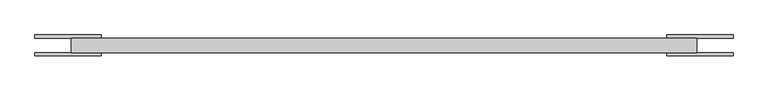
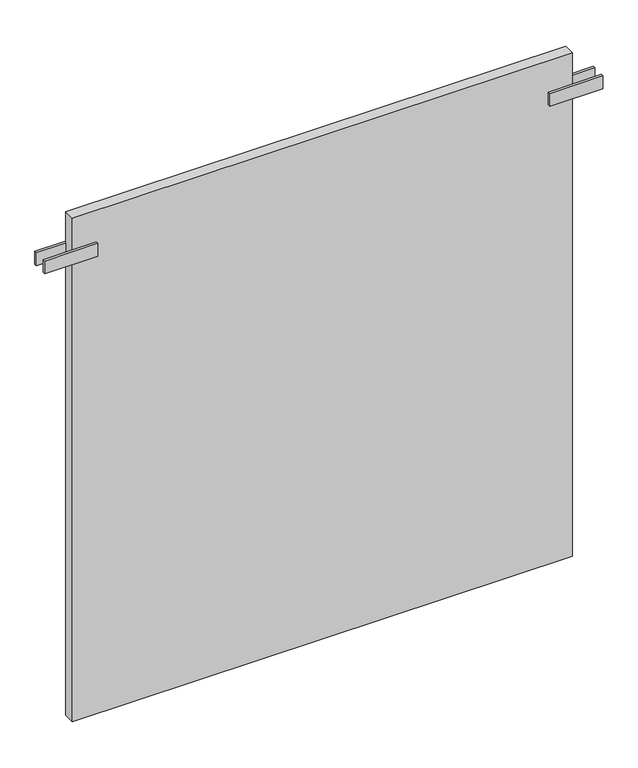
"""IFC4 building model written with IfcOpenShell, lengths in millimetres: plate geometry."""

from ifc_helpers import new_model, si_unit, frame, origin, origin_with_axes, place, context, project, spatial, polyline, outline, extrude, source, transform, mapped, element, save


def plate_6deffb18(model_context):
    return source(origin(), model_context, "Body", "SweptSolid", [
        extrude(outline(polyline([(425.0000001, -47.75), (425.0000001, -42.75), (525.0000001, -42.75), (525.0000001, -47.75), (425.0000001, -47.75)])), frame((0.0, 0.0, 912.5), z_axis=(0.0, 0.0, 1.0), x_axis=(1.0, 0.0, 0.0)), (0.0, 0.0, 1.0), 25.0),
        extrude(outline(polyline([(425.0000001, -16.25), (525.0000001, -16.25), (525.0000001, -21.25), (425.0000001, -21.25), (425.0000001, -16.25)])), frame((0.0, 0.0, 912.5), z_axis=(0.0, 0.0, 1.0), x_axis=(1.0, 0.0, 0.0)), (0.0, 0.0, 1.0), 25.0),
        extrude(outline(polyline([(-425.0000001, -47.75), (-525.0000001, -47.75), (-525.0000001, -42.75), (-425.0000001, -42.75), (-425.0000001, -47.75)])), frame((0.0, 0.0, 912.5), z_axis=(0.0, 0.0, 1.0), x_axis=(1.0, 0.0, 0.0)), (0.0, 0.0, 1.0), 25.0),
        extrude(outline(polyline([(-425.0000001, -16.25), (-425.0000001, -21.25), (-525.0000001, -21.25), (-525.0000001, -16.25), (-425.0000001, -16.25)])), frame((0.0, 0.0, 912.5), z_axis=(0.0, 0.0, 1.0), x_axis=(1.0, 0.0, 0.0)), (0.0, 0.0, 1.0), 25.0),
        extrude(outline(polyline([(470.0000001, -21.25), (470.0000001, -42.75), (-470.0000001, -42.75), (-470.0000001, -21.25), (470.0000001, -21.25)])), origin_with_axes(), (0.0, 0.0, 1.0), 1000.0),
    ])


if __name__ == "__main__":
    model = new_model("IFC4")
    model_context = context("Model", 3, world=origin())
    ifc_project = project(units=[si_unit("LENGTHUNIT", "METRE", prefix="MILLI")], contexts=[model_context])
    site = spatial("IfcSite", under=ifc_project)
    building = spatial("IfcBuilding", under=site)
    placement = place(None, origin())
    plate_shape = plate_6deffb18(model_context)
    element("IfcPlate", 1, at=placement, inside=building, context=model_context, shape_type="MappedRepresentation", body=[
        mapped(plate_shape, transform((0.0, 0.0, 0.0), x_axis=(1.0, 0.0, 0.0), y_axis=(0.0, 1.0, 0.0), z_axis=(0.0, 0.0, 1.0))),
    ])
    save(model, "model.ifc")
